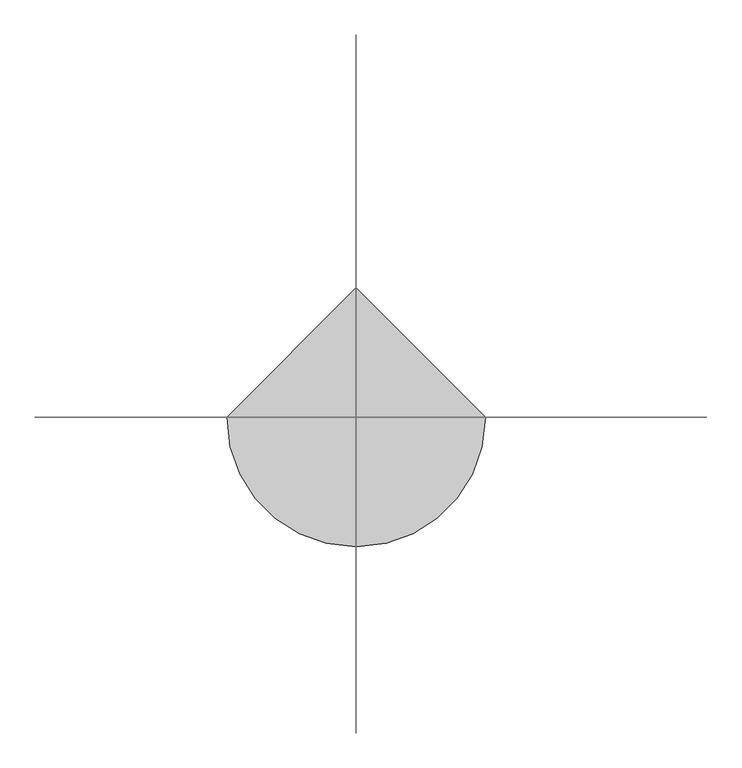
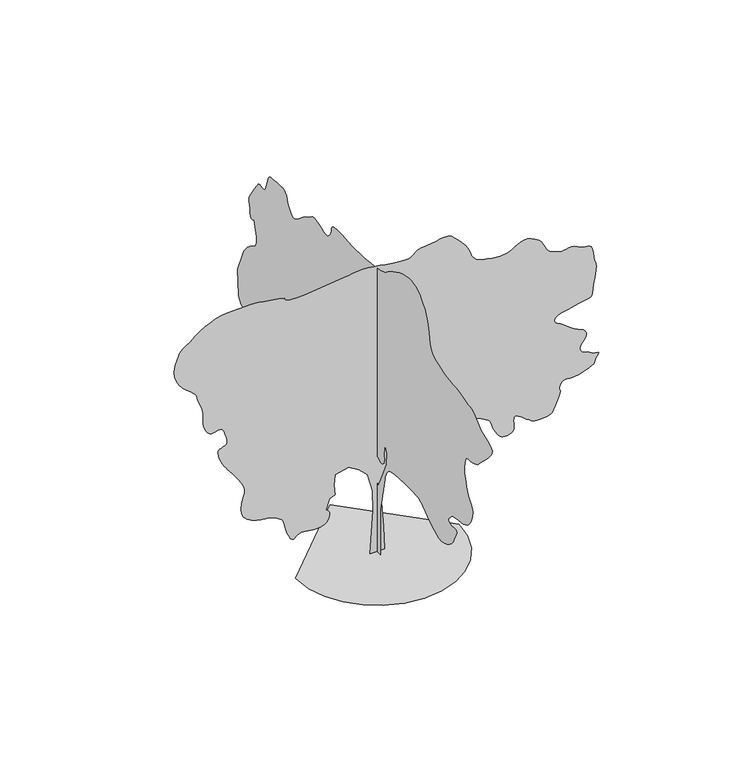
"""IFC4 building model written with IfcOpenShell, lengths in millimetres: geographic element geometry."""

from ifc_helpers import new_model, si_unit, origin, place, context, project, spatial, triangles, source, transform, mapped, element, save


def geographic_element_31fc5fb8(model_context):
    return source(origin(), model_context, "Body", "Tessellation", [
        triangles([(-6.51e-05, -105.0228319, 0.0074776), (-6.15e-05, 138.9131143, 0.0074703), (-4.84e-05, 99.8833291, 458.6078719), (-3.14e-05, 129.1556067, 1014.7807915), (-1.8e-05, 226.7299288, 1414.8361691), (-8.5e-06, 392.6053236, 1649.0138809), (-1.1e-06, 577.9979682, 1805.1340027), (2.6e-06, 753.6305981, 1844.161417), (3.5e-06, 948.7807503, 1775.8613708), (1.5e-06, 1007.3257959, 1678.2863674), (-4e-06, 890.2357046, 1551.4387321), (-8.4e-06, 929.2657351, 1385.5636826), (-1.44e-05, 1153.685903, 1073.3258371), (-1.47e-05, 1543.9838093, 868.4182137), (-8.5e-06, 2109.9142365, 790.3606236), (7.6e-06, 2451.4244957, 1161.1409712), (2.53e-05, 2802.702182, 1580.7112186), (3.2e-05, 3349.1028419, 1531.9237896), (3.84e-05, 3544.2528488, 1649.0138809), (4.53e-05, 3534.5028625, 1883.1915928), (4.5e-05, 3358.8778267, 1961.2516537), (4.95e-05, 3232.0277206, 2175.9142776), (5.43e-05, 3534.5028625, 2185.6718216), (5.98e-05, 4139.453437, 2068.584201), (6.19e-05, 4208.0283211, 2104.1717091), (6.39e-05, 4273.9283684, 2140.0142887), (6.59e-05, 4334.553447, 2176.3691917), (6.78e-05, 4387.2284294, 2213.4942513), (6.96e-05, 4429.328476, 2251.6417774), (7.12e-05, 4458.2034576, 2291.0693127), (7.26e-05, 4471.2035362, 2332.0343994), (8.79e-05, 4500.4784935, 2829.6522812), (9.79e-05, 4334.6034439, 3249.2275429), (9.86e-05, 4317.5036156, 3282.3275574), (9.94e-05, 4292.2284142, 3321.5527794), (0.0001002, 4260.1033401, 3364.7027618), (0.000101, 4222.5283081, 3409.5526405), (0.0001017, 4180.8532356, 3453.9028404), (0.0001023, 4136.4533295, 3495.527916), (0.0001027, 4090.6782166, 3532.2027122), (0.0001029, 4046.5782921, 3560.9279938), (0.0001029, 4006.7531067, 3582.8278198), (0.000103, 3971.8782005, 3601.8278229), (0.0001031, 3942.6282417, 3621.853054), (0.0001036, 3919.7031876, 3646.8529816), (0.0001043, 3903.7782875, 3680.7029503), (0.0001056, 3895.5282097, 3727.3530098), (0.0001072, 3894.4782738, 3782.2781456), (0.0001089, 3899.0532852, 3838.2282188), (0.0001108, 3908.3283005, 3895.0532387), (0.0001127, 3921.3530869, 3952.5282188), (0.0001147, 3937.2032822, 4010.528167), (0.0001167, 3954.9280724, 4068.8783844), (0.0001187, 3973.5780968, 4127.4033005), (0.0001184, 3998.5533165, 4107.2783661), (0.0001184, 4022.8532867, 4091.9534294), (0.0001185, 4045.7783409, 4086.1782005), (0.0001191, 4066.6532295, 4094.7532585), (0.0001202, 4084.8032845, 4122.4283134), (0.0001219, 4099.5532562, 4174.003363), (0.0001245, 4110.1781891, 4254.2534065), (0.000127, 4120.6784203, 4333.2285278), (0.0001287, 4132.0283089, 4385.4035408), (0.0001299, 4139.1284569, 4422.2036201), (0.0001309, 4136.8033081, 4455.0786484), (0.0001318, 4120.0034615, 4495.478508), (0.0001331, 4083.5533607, 4554.8286644), (0.0001348, 4022.3783157, 4644.5537109), (0.0001367, 3956.5782623, 4741.1289207), (0.0001382, 3906.9780922, 4815.003772), (0.0001392, 3869.5280525, 4868.5789902), (0.0001398, 3840.0781059, 4904.2041412), (0.0001401, 3814.5532104, 4924.3290756), (0.0001399, 3788.8780334, 4931.3042313), (0.0001393, 3758.9281174, 4927.5038818), (0.0001386, 3727.67799, 4918.0288788), (0.0001379, 3700.2029228, 4909.0788437), (0.0001374, 3675.45298, 4904.7291092), (0.0001372, 3652.4029335, 4909.0788437), (0.0001374, 3630.0528442, 4926.2289597), (0.000138, 3607.3527763, 4960.2792068), (0.0001393, 3583.2777924, 5015.329335), (0.0001409, 3562.2279144, 5079.6288986), (0.0001424, 3546.3027237, 5137.7544205), (0.0001437, 3531.0527824, 5188.4042358), (0.0001447, 3512.0527794, 5230.1540131), (0.0001452, 3484.8526955, 5261.6794144), (0.0001452, 3445.0278008, 5281.604361), (0.0001446, 3388.1277855, 5288.5295197), (0.0001436, 3319.3276245, 5291.5793335), (0.0001428, 3248.6275795, 5298.5544891), (0.000142, 3178.9774704, 5306.2040222), (0.0001411, 3113.2274139, 5311.3042923), (0.0001402, 3054.3025223, 5310.5793365), (0.0001392, 3005.1273262, 5300.8293503), (0.000138, 2968.5775223, 5278.7795334), (0.0001369, 2944.7272339, 5253.1543533), (0.0001361, 2929.602285, 5232.6294434), (0.0001354, 2919.9272942, 5214.0044174), (0.0001347, 2912.4774582, 5194.0044754), (0.0001338, 2904.0023941, 5169.4042328), (0.0001326, 2891.2523003, 5136.9288895), (0.000131, 2871.0023735, 5093.3792221), (0.0001292, 2844.6522377, 5045.379245), (0.0001275, 2815.5772682, 5003.1539154), (0.000126, 2783.4271957, 4968.9542587), (0.0001248, 2747.8773308, 4945.0039764), (0.0001238, 2708.5521149, 4933.504097), (0.0001233, 2665.1521477, 4936.7039017), (0.0001232, 2617.3021614, 4956.7788391), (0.0001234, 2569.6771614, 4988.2542435), (0.0001238, 2525.4769524, 5023.3038483), (0.0001243, 2482.1194244, 5060.7288895), (0.0001247, 2437.0595295, 5099.3538574), (0.0001252, 2387.7318718, 5138.0044052), (0.0001254, 2331.5768692, 5175.4294464), (0.0001255, 2266.0343582, 5210.4790512), (0.0001256, 2205.0142456, 5244.5542969), (0.0001259, 2159.0142918, 5277.6040237), (0.0001262, 2120.3541515, 5306.2290207), (0.0001262, 2081.3542065, 5327.0044968), (0.0001258, 2034.3291698, 5336.5044983), (0.0001247, 1971.6040741, 5331.3292328), (0.0001227, 1885.4940685, 5308.0544907), (0.0001205, 1797.391452, 5276.8540695), (0.0001188, 1730.2863911, 5251.9544266), (0.0001175, 1678.8813892, 5236.1042313), (0.0001168, 1637.8888332, 5232.02948), (0.0001166, 1602.0163136, 5242.4794235), (0.0001169, 1565.9737461, 5270.1544785), (0.0001177, 1524.4687214, 5317.8044769), (0.0001188, 1490.9861721, 5373.8045471), (0.0001201, 1475.2561729, 5423.9793915), (0.0001212, 1466.3511932, 5467.3296524), (0.0001221, 1453.3511147, 5502.8292297), (0.0001225, 1425.3286972, 5529.4543488), (0.0001222, 1371.366148, 5546.1794907), (0.000121, 1280.5334656, 5551.979718), (0.0001195, 1182.4759335, 5550.8792038), (0.0001183, 1108.9958982, 5547.8793869), (0.0001174, 1052.4133781, 5543.5296524), (0.0001165, 1005.0483187, 5538.3293884), (0.0001156, 959.2208107, 5532.7797272), (0.0001147, 907.2482563, 5527.4044739), (0.0001136, 841.4482029, 5522.7041794), (0.0001125, 772.3506037, 5519.7043625), (0.0001115, 711.6155754, 5518.9044113), (0.0001107, 653.2705175, 5520.154335), (0.0001099, 591.3404677, 5523.2797256), (0.000109, 519.8504273, 5528.1294296), (0.0001078, 432.8303392, 5534.5046219), (0.0001065, 324.3052774, 5542.2297318), (0.000105, 203.687658, 5552.8796631), (0.0001037, 86.9965703, 5567.6043457), (0.0001026, -21.8426915, 5585.7544006), (0.0001018, -118.9050968, 5606.6292892), (0.0001012, -200.2644113, 5629.5546341), (0.0001011, -261.9952181, 5653.8543137), (0.0001012, -300.1702499, 5678.8295334), (0.0001016, -342.4727732, 5713.0297714), (0.000102, -413.9603428, 5761.2297363), (0.0001023, -506.7854181, 5817.0798157), (0.0001024, -613.0930281, 5874.3298096), (0.0001023, -725.0330704, 5926.6045258), (0.0001019, -834.75319, 5967.6299286), (0.0001011, -934.4057556, 5991.07966), (0.0001, -1022.9033335, 5999.8047089), (9.88e-05, -1104.7484104, 6000.0046967), (9.74e-05, -1180.4459702, 5990.3047073), (9.57e-05, -1250.5110249, 5969.3298248), (9.38e-05, -1315.4560432, 5935.7295502), (9.14e-05, -1375.7936394, 5888.1545471), (8.87e-05, -1432.0336658, 5825.2049011), (8.63e-05, -1478.7161362, 5768.8048553), (8.48e-05, -1512.7687088, 5733.7546692), (8.36e-05, -1538.2837212, 5707.9295013), (8.25e-05, -1559.3638298, 5679.2045105), (8.09e-05, -1580.1012268, 5635.454274), (7.84e-05, -1604.5962433, 5564.5545319), (7.46e-05, -1636.941362, 5454.4042786), (7.05e-05, -1667.1512913, 5330.3292938), (6.7e-05, -1688.656374, 5223.97939), (6.39e-05, -1710.6739254, 5132.8541382), (6.11e-05, -1742.4214062, 5054.3292801), (5.83e-05, -1793.1164223, 4985.8788071), (5.53e-05, -1871.9714928, 4924.9540375), (5.19e-05, -1988.2065491, 4868.9789658), (4.87e-05, -2119.0091755, 4825.5040031), (4.62e-05, -2237.6917568, 4799.6038399), (4.41e-05, -2347.6668755, 4784.9788605), (4.22e-05, -2452.3543808, 4775.3288681), (4.04e-05, -2555.1521759, 4764.2789612), (3.83e-05, -2659.5022018, 4745.5539413), (3.57e-05, -2768.8022163, 4712.8539024), (3.33e-05, -2866.4523605, 4683.5786545), (3.19e-05, -2939.5522591, 4672.2287659), (3.09e-05, -2996.927536, 4668.05373), (2.99e-05, -3047.4773575, 4660.2786232), (2.85e-05, -3100.0776352, 4638.1788094), (2.61e-05, -3163.6025368, 4590.9787834), (2.24e-05, -3246.9276833, 4507.9536186), (1.83e-05, -3354.9527756, 4422.0536293), (1.48e-05, -3474.4277504, 4364.5036537), (1.18e-05, -3586.9278603, 4321.8033531), (9.3e-06, -3673.9780701, 4280.47855), (7e-06, -3717.153051, 4227.0283241), (5e-06, -3698.0280556, 4147.9782074), (2.9e-06, -3598.1780457, 4029.8281517), (1.1e-06, -3473.4528099, 3906.2781349), (-3e-07, -3385.2276718, 3815.6781418), (-1.3e-06, -3323.4776619, 3751.5279877), (-1.9e-06, -3278.1025246, 3707.3530678), (-2.2e-06, -3239.0275841, 3676.6529068), (-2.3e-06, -3196.2275803, 3652.9528999), (-2.1e-06, -3139.5775497, 3629.777861), (-1.7e-06, -3075.1774109, 3613.37799), (-9e-07, -3016.2275208, 3608.6029907), (-2e-07, -2963.4272552, 3606.7278145), (2e-07, -2917.4774437, 3599.0529922), (2e-07, -2879.0024666, 3576.8528938), (-7e-07, -2848.7272797, 3531.452758), (-2.7e-06, -2827.3524216, 3454.1278267), (-5.1e-06, -2815.7522575, 3369.9277336), (-7e-06, -2813.352404, 3305.0276253), (-8.6e-06, -2818.6523712, 3252.4026398), (-1.02e-05, -2830.0772552, 3205.052623), (-1.19e-05, -2846.1274384, 3156.0024193), (-1.39e-05, -2865.2274353, 3098.2524559), (-1.64e-05, -2885.9023361, 3024.8025787), (-1.92e-05, -2914.627327, 2946.6774055), (-2.18e-05, -2954.4525124, 2877.5772629), (-2.43e-05, -2998.5524368, 2814.6273262), (-2.67e-05, -3040.0775185, 2754.9021927), (-2.9e-05, -3072.2275909, 2695.5270378), (-3.11e-05, -3088.152491, 2633.6020386), (-3.3e-05, -3081.0526337, 2566.2020828), (-3.46e-05, -3060.4274391, 2500.277037), (-3.6e-05, -3039.102578, 2443.7194427), (-3.71e-05, -3015.2525803, 2395.18694), (-3.79e-05, -2986.9272743, 2353.3118797), (-3.85e-05, -2952.3273514, 2316.7293743), (-3.88e-05, -2909.5023491, 2284.0717747), (-3.89e-05, -2856.6273788, 2253.9743385), (-3.87e-05, -2791.7272705, 2230.5618141), (-3.8e-05, -2717.452153, 2216.0268002), (-3.71e-05, -2638.7520149, 2206.0967377), (-3.62e-05, -2560.5271385, 2196.5117123), (-3.56e-05, -2487.799601, 2182.9993103), (-3.53e-05, -2425.47201, 2161.2942398), (-3.56e-05, -2378.5043827, 2127.129174), (-3.62e-05, -2345.7043499, 2089.8041267), (-3.68e-05, -2322.8044395, 2060.3341232), (-3.73e-05, -2310.1443111, 2037.0066227), (-3.78e-05, -2308.0692924, 2018.1191128), (-3.84e-05, -2316.9168629, 2001.9616688), (-3.92e-05, -2337.0294434, 1986.8265461), (-4.01e-05, -2368.7469841, 1971.0090523), (-4.1e-05, -2411.2470062, 1962.5040482), (-4.16e-05, -2459.0394379, 1965.0915356), (-4.21e-05, -2505.4770103, 1970.754126), (-4.27e-05, -2543.876992, 1971.4641117), (-4.34e-05, -2567.6019974, 1959.2041042), (-4.44e-05, -2569.9771431, 1925.949012), (-4.59e-05, -2544.3769615, 1863.6765049), (-4.75e-05, -2509.7520401, 1792.5014889), (-4.89e-05, -2484.8695473, 1735.1513557), (-4.99e-05, -2462.7095627, 1687.5312973), (-5.08e-05, -2436.2819607, 1645.5438892), (-5.14e-05, -2398.5894939, 1605.0912712), (-5.19e-05, -2342.631863, 1562.0787804), (-5.22e-05, -2261.4142914, 1512.4087017), (-5.2e-05, -2169.1316975, 1473.3237328), (-5.1e-05, -2083.5066914, 1461.3762062), (-4.95e-05, -2002.8290577, 1471.4462311), (-4.76e-05, -1925.3965748, 1498.4137711), (-4.53e-05, -1849.4990273, 1537.1587898), (-4.28e-05, -1773.4289612, 1582.5612511), (-4.02e-05, -1695.4838642, 1629.498793), (-3.77e-05, -1622.0063725, 1676.8063705), (-3.54e-05, -1558.0838207, 1724.7964645), (-3.31e-05, -1500.136195, 1770.5689613), (-3.11e-05, -1444.578685, 1811.2214218), (-2.93e-05, -1387.8261898, 1843.8489361), (-2.77e-05, -1326.2960793, 1865.5564774), (-2.64e-05, -1256.4010723, 1873.4340488), (-2.5e-05, -1159.1384045, 1874.2890839), (-2.3e-05, -1027.910804, 1875.4840691), (-2.07e-05, -877.7382116, 1874.971455), (-1.86e-05, -723.6380974, 1870.7039829), (-1.67e-05, -580.6329818, 1860.6339581), (-1.55e-05, -463.7428782, 1842.7115055), (-1.52e-05, -387.9878002, 1814.8914013), (-1.57e-05, -343.2127716, 1776.8839828), (-1.66e-05, -308.1652379, 1730.6863667), (-1.77e-05, -281.2252217, 1677.6614056), (-1.92e-05, -260.7727092, 1619.1738419), (-2.08e-05, -245.1829449, 1556.5887085), (-2.26e-05, -232.8366963, 1491.2736546), (-2.44e-05, -222.1121874, 1424.593713), (-3.85e-05, -114.7803395, 897.6907001), (-2.01e-05, -26.9632729, 1297.7460777), (-1.3e-05, -173.3248856, 1609.9838505), (-6.5e-06, -300.1727388, 1892.9489914), (2e-07, -319.6852469, 2127.129174), (4.7e-06, -251.3852008, 2244.2167946), (-4e-07, -222.1119331, 2058.8266571), (-1.7e-06, -228.0859325, 2017.1791992), (-3e-06, -232.2679447, 1976.5565334), (-4.1e-06, -232.865183, 1937.9815624), (-5.1e-06, -228.0859325, 1902.4790783), (-5.9e-06, -216.1379336, 1871.0740185), (-6.4e-06, -195.2293988, 1844.788995), (-6.5e-06, -163.5673779, 1824.6489452), (-6.1e-06, -127.1833524, 1819.4714996), (-5.2e-06, -93.5303284, 1831.0190506), (-4.2e-06, -62.949051, 1849.7389835), (-3.3e-06, -35.7820297, 1866.0664753), (-2.9e-06, -12.3698845, 1870.4490566), (-3.1e-06, 6.9458055, 1853.3239391), (-4.3e-06, 21.8237678, 1805.1340027), (-6.1e-06, 32.3777771, 1741.0688725), (-7.7e-06, 39.3472803, 1682.1263947), (-9.3e-06, 43.330036, 1627.4512436), (-1.08e-05, 44.9230347, 1576.1888203), (-1.22e-05, 44.724037, 1527.4862698), (-1.37e-05, 43.330036, 1480.4911732), (-1.51e-05, 41.3385332, 1434.3511116), (137.391859, 0.0003253, 0.0), (-133.3141101, 0.0003334, 0.0), (-73.1573078, 0.0002372, 832.1731876), (-83.1833128, 0.0002433, 1223.1935062), (-183.4456522, 0.0001982, 1574.1087147), (-333.8377625, 0.0002049, 1724.5014244), (-534.3604428, 0.0002126, 1844.8164642), (-785.015601, 0.0002192, 1784.6589443), (-805.0681561, 0.0002168, 1584.1363003), (-785.015601, 0.0002134, 1393.6386257), (-885.278231, 0.0002156, 1343.5060753), (-955.4607931, 0.0002149, 1153.0084007), (-936.3432827, 0.0002675, 1139.8859459), (-918.5407356, 0.0002668, 1125.3558735), (-903.3707314, 0.0002661, 1108.0234285), (-892.1456898, 0.0002654, 1086.4808481), (-886.1831903, 0.0002648, 1059.3258196), (-886.7981964, 0.0002643, 1025.1533415), (-895.3032005, 0.0002639, 982.5658247), (-913.9532249, 0.0002639, 940.0632591), (-942.5982788, 0.0002642, 906.5057144), (-978.963283, 0.0002649, 881.018244), (-1020.7633478, 0.0002659, 862.7181982), (-1065.71838, 0.0002671, 850.7331739), (-1111.553373, 0.0002683, 844.1856812), (-1155.9834372, 0.0002696, 842.1981571), (-1199.4784567, 0.000271, 844.8881819), (-1243.6759769, 0.0002724, 851.4356747), (-1288.0485592, 0.0002738, 859.5631582), (-1332.0685467, 0.0002752, 866.9856703), (-1375.2135876, 0.0002766, 871.4282043), (-1416.9560978, 0.0002778, 870.610667), (-1456.7686386, 0.0002789, 862.2507122), (-1490.9986713, 0.0002796, 844.3906832), (-1518.2137253, 0.0002801, 821.2681847), (-1541.2187164, 0.0002805, 799.9006662), (-1562.8187061, 0.0002809, 787.3031067), (-1585.8238426, 0.0002817, 790.4881594), (-1613.0387512, 0.0002829, 816.475672), (-1647.2663132, 0.0002313, 872.2782251), (-1679.7413658, 0.0002334, 944.3882858), (-1702.0463997, 0.0002351, 1013.34585), (-1717.508828, 0.0002365, 1077.2133905), (-1729.4639122, 0.0002377, 1134.0684231), (-1741.2438618, 0.0002387, 1181.9784348), (-1756.1814674, 0.0002397, 1219.0134562), (-1777.6064678, 0.0002407, 1243.2460613), (-1804.2939377, 0.0002418, 1262.5659576), (-1833.963929, 0.000243, 1284.8709915), (-1868.368951, 0.0002444, 1308.2261066), (-1909.2639839, 0.000246, 1330.7035137), (-1958.3990662, 0.0002477, 1350.3761501), (-2017.5341194, 0.0002497, 1365.3136105), (-2088.4191822, 0.0002519, 1373.5860706), (-2170.7616852, 0.0002011, 1382.5010788), (-2258.5417923, 0.000204, 1401.9387005), (-2344.9193687, 0.0002071, 1433.8312305), (-2423.054425, 0.0002101, 1480.1036968), (-2486.1046463, 0.0002129, 1542.6862141), (-2527.2271362, 0.0002153, 1623.5087517), (-2539.6019623, 0.0002172, 1724.5014244), (-2528.5270569, 0.0002183, 1822.2489464), (-2508.6771057, 0.0002189, 1897.5490013), (-2487.2420769, 0.0002192, 1958.6416386), (-2471.4293793, 0.0001661, 2013.7690876), (-2468.4170631, 0.0001669, 2071.1791008), (-2485.3994568, 0.0001684, 2139.1117275), (-2529.5769928, 0.000171, 2225.8093426), (-2588.3771828, 0.0001741, 2318.6769299), (-2644.0272743, 0.000177, 2400.3194756), (-2695.8273102, 0.0001796, 2471.7869156), (-2743.0773331, 0.000182, 2534.1270058), (-2785.0523872, 0.0001306, 2588.4271797), (-2821.0522247, 0.0001324, 2635.6772026), (-2850.4021774, 0.0001339, 2676.977298), (-2878.5522034, 0.0001354, 2723.8270546), (-2908.6274025, 0.0001372, 2782.7522369), (-2936.4274498, 0.000139, 2847.4523575), (-2957.7523109, 0.0001406, 2911.6522179), (-2968.352536, 0.0001418, 2969.0024963), (-2964.0525078, 0.0001423, 3013.2024147), (-2940.6524826, 0.000142, 3037.927359), (-2905.0023331, 0.0001411, 3050.052491), (-2869.2021927, 0.0001402, 3062.5526001), (-2836.7274307, 0.0001395, 3078.1775185), (-2811.1022507, 0.000139, 3099.7773628), (-2795.8023125, 0.000139, 3130.1525436), (-2794.3773994, 0.0001396, 3172.1025993), (-2810.3022995, 0.0001409, 3228.4276497), (-2831.7271545, 8.9e-05, 3286.3526024), (-2846.6774048, 9.02e-05, 3332.2027107), (-2858.4522675, 9.1e-05, 3367.3276016), (-2870.4024101, 9.18e-05, 3393.1777679), (-2885.8523392, 9.25e-05, 3411.1278351), (-2908.17743, 9.33e-05, 3422.5777176), (-2940.6524826, 9.44e-05, 3428.9529099), (-2978.7524826, 9.55e-05, 3427.0527351), (-3016.0025345, 9.65e-05, 3417.4277412), (-3052.7023293, 9.74e-05, 3407.1277885), (-3089.2524239, 9.85e-05, 3403.1027435), (-3125.9775078, 9.97e-05, 3412.4277557), (-3163.2025612, 0.0001012, 3442.1026886), (-3201.3275597, 0.0001032, 3499.1276962), (-3229.5025841, 0.0001051, 3569.6277534), (-3241.3777313, 0.0001065, 3637.1529922), (-3243.9525742, 0.0001076, 3704.8529297), (-3244.2275574, 0.0001086, 3775.9029533), (-3249.2525414, 5.65e-05, 3853.4031647), (-3266.0276802, 5.83e-05, 3940.5780762), (-3301.5775452, 6.09e-05, 4040.5533691), (-3337.877655, 6.33e-05, 4130.928376), (-3357.5276184, 6.48e-05, 4192.7283829), (-3368.4028267, 6.58e-05, 4234.1784691), (-3378.4027977, 6.65e-05, 4263.5284218), (-3395.4276306, 6.74e-05, 4289.0033203), (-3427.3277184, 6.88e-05, 4318.8785316), (-3482.0528664, 7.1e-05, 4361.3785538), (-3552.8529053, 2.06e-05, 4417.8785934), (-3623.6529442, 2.37e-05, 4484.3786041), (-3688.3030678, 2.68e-05, 4561.0535751), (-3740.6780685, 2.96e-05, 4648.0787865), (-3774.6530296, 3.21e-05, 4745.6289368), (-3784.0780357, 3.4e-05, 4853.8540169), (-3762.7781731, 3.51e-05, 4972.9790131), (-3729.8781464, -1.77e-05, 5076.7040771), (-3704.502951, -1.74e-05, 5145.8539261), (-3680.7029503, -1.74e-05, 5191.3290573), (-3652.5279259, -1.78e-05, 5224.0043884), (-3614.0029518, -1.85e-05, 5254.7792542), (-3559.1778099, -1.95e-05, 5294.454158), (-3482.0528664, -2.09e-05, 5353.9795944), (-3391.1775993, -2.26e-05, 5424.8793365), (-3298.9027084, -2.44e-05, 5490.3794083), (-3205.0276245, -2.63e-05, 5548.6543396), (-3109.4276459, -2.84e-05, 5598.0042343), (-3011.8774956, -3.07e-05, 5636.6297836), (-2912.2274734, -3.33e-05, 5662.8293472), (-2810.3022995, -3.62e-05, 5674.8047791), (-2339.0719059, -5.01e-05, 5684.8297485), (-2273.3618179, -5.21e-05, 5682.2043274), (-2197.6542297, -5.44e-05, 5674.854776), (-2113.614156, -3.7e-06, 5663.5293045), (-2022.9116982, -6.6e-06, 5649.0546066), (-1927.2115803, -9.7e-06, 5632.2294708), (-1828.1764915, -1.3e-05, 5613.8044327), (-1727.4763882, -1.63e-05, 5594.6044418), (-1724.3188774, -1.66e-05, 5575.4544479), (-1715.1114452, -1.72e-05, 5557.4543839), (-1693.8014088, -1.8e-05, 5541.7297623), (-1654.3413174, -1.94e-05, 5529.4293503), (-1590.6763081, -2.14e-05, 5521.6792419), (-1496.7561687, -2.42e-05, 5519.6293671), (-1366.5335941, -2.81e-05, 5524.4296555), (-604.5454757, -4.94e-05, 5614.6543808), (-529.8304141, -5.15e-05, 5621.554541), (-464.7628741, 1e-07, 5631.7794983), (-403.0278342, -1.6e-06, 5642.554422), (-338.3102729, -3.4e-06, 5651.0294861), (-264.297712, -5.6e-06, 5654.4042801), (-174.6758932, -8.3e-06, 5649.9045547), (-63.1313028, -1.19e-05, 5634.7043198), (53.8502923, -1.57e-05, 5614.4793915), (156.9766284, -1.9e-05, 5596.879303), (248.3524462, -2.19e-05, 5582.1046234), (330.0827591, -2.45e-05, 5570.2797638), (404.2703093, -2.69e-05, 5561.6297104), (473.0203643, -2.9e-05, 5556.304454), (538.4379192, -3.1e-05, 5554.5045639), (593.7429737, -3.25e-05, 5562.8296371), (635.895488, -3.35e-05, 5584.3044891), (672.6080727, -3.41e-05, 5613.6794403), (711.6030762, -3.48e-05, 5645.7048111), (760.5931091, -3.58e-05, 5675.0797623), (827.2981945, -3.75e-05, 5696.5546143), (919.4332684, -4.01e-05, 5704.904686), (1019.3733164, -4.3e-05, 5711.6048584), (1106.3358862, -4.54e-05, 5726.7545151), (1183.3009558, -4.74e-05, 5742.7796997), (1253.2485031, -4.94e-05, 5752.1297104), (1319.1661366, -5.14e-05, 5747.279425), (1384.0286018, -5.37e-05, 5720.6798859), (1450.8211819, -3.2e-06, 5664.7798096), (1514.7787605, -6.1e-06, 5597.4042709), (1569.6162563, -8.6e-06, 5539.5043167), (1616.0337719, -1.07e-05, 5488.254538), (1654.7363514, -1.26e-05, 5440.8795227), (1686.421336, -1.42e-05, 5394.5544434), (1711.7939152, -1.57e-05, 5346.4544724), (1731.5539009, -1.7e-05, 5293.8291962), (1749.3263626, -1.84e-05, 5241.0045135), (1770.606459, -1.97e-05, 5194.1544662), (1798.9013889, -2.12e-05, 5153.0790665), (1837.7189323, 3.06e-05, 5117.6039063), (1890.5690495, 2.85e-05, 5087.6039932), (1960.9566135, 2.61e-05, 5062.8293427), (2052.3917301, 2.3e-05, 5043.1537994), (2147.2741653, 2e-05, 5028.9540848), (2227.0742363, 1.75e-05, 5020.3540283), (2293.8969017, 1.55e-05, 5016.8542419), (2349.8443588, 1.38e-05, 5017.9041779), (2397.0244732, 1.25e-05, 5023.0038666), (2437.5369713, 1.14e-05, 5031.5789246), (2473.4920441, 1.05e-05, 5043.1537994), (2512.0269012, 9.7e-06, 5063.479303), (2558.2519867, 8.7e-06, 5093.9791855), (2611.3522339, 7.6e-06, 5127.6038773), (2670.3771194, 6.3e-06, 5157.4043839), (2734.5272736, 4.7e-06, 5176.304393), (2802.8521729, 2.7e-06, 5177.3293304), (2874.527449, 2e-07, 5153.4540436), (2937.3023964, -2.2e-06, 5120.2293274), (2982.5275429, -3.9e-06, 5095.0541199), (3014.7523201, -5.2e-06, 5073.7292587), (3038.5773193, -6.2e-06, 5052.0788361), (3058.5525536, -7.2e-06, 5025.854274), (3079.2024559, -8.3e-06, 4990.8790833), (3105.1276176, -9.8e-06, 4942.9041046), (3132.7273865, 4.2e-05, 4892.8036743), (3157.7026062, 4.07e-05, 4852.7037964), (3183.5274834, 3.94e-05, 4820.3040298), (3213.7526733, 3.81e-05, 4793.3539307), (3251.8776718, 3.66e-05, 4769.5539299), (3301.4025558, 3.48e-05, 4746.6538742), (3365.8276932, 3.25e-05, 4722.3289055), (3431.1277771, 3.03e-05, 4707.5039383), (3484.3277275, 2.88e-05, 4709.3538254), (3530.502816, 2.76e-05, 4719.9537598), (3574.753022, 2.64e-05, 4731.4539299), (3622.1780342, 2.51e-05, 4735.9289474), (3677.8278351, 2.33e-05, 4725.4787132), (3746.8029854, 2.07e-05, 4692.2537064), (3818.1279922, 1.81e-05, 4658.4537346), (3877.8781242, 1.61e-05, 4644.1287369), (3926.7530479, 1.45e-05, 4638.053817), (3965.453302, 1.32e-05, 4629.003788), (3994.7032608, 1.2e-05, 4605.7287552), (4015.1531754, 6.41e-05, 4557.0288208), (4027.5532906, 6.24e-05, 4471.6785072), (4039.2031609, 6.08e-05, 4384.4785973), (4054.5533867, 5.95e-05, 4327.8035683), (4069.9033218, 5.84e-05, 4286.7284592), (4081.5781906, 5.75e-05, 4246.3533073), (4085.8532204, 5.65e-05, 4191.7784409), (4079.1033417, 5.55e-05, 4108.1033157), (4057.628199, 5.42e-05, 3980.3782631), (4035.5283852, 0.0001063, 3847.1779633), (4024.4781876, 0.0001052, 3752.0279572), (4017.103347, 0.0001045, 3687.578112), (4006.0531494, 0.0001042, 3646.453006), (3983.9533356, 0.0001045, 3621.2777985), (3943.4531914, 0.0001054, 3604.7279366), (3877.1531685, 0.0001072, 3589.3780014), (3783.9280449, 0.0001097, 3571.4279343), (3675.2779907, 0.0001126, 3551.3779953), (3562.7778809, 0.0001156, 3528.3279488), (3457.9778824, 0.0001183, 3501.452845), (3372.4778687, 0.0001204, 3469.8277405), (3317.8527145, 0.0001215, 3432.5776886), (3305.6525871, 0.0001212, 3388.8527412), (3318.4276794, 0.0001203, 3351.9776665), (3332.9526649, 0.0001195, 3330.9027901), (3352.2276512, 0.0001188, 3318.0777008), (3379.2027489, 0.0001178, 3305.9525688), (3416.8777748, 0.0001164, 3286.9775642), (3468.2528366, 0.0001143, 3253.627565), (3536.2527557, 0.0001115, 3198.3524506), (3611.5028137, 0.0001084, 3139.7525391), (3681.477903, 0.0001057, 3097.8024834), (3744.6281181, 0.0001033, 3067.0776146), (3799.3529755, 0.0001547, 3042.1273933), (3844.053154, 0.000153, 3017.5524399), (3877.2031654, 0.0001516, 2987.877507), (3897.2031075, 0.0001504, 2947.702343), (3897.9280632, 0.0001497, 2900.4773186), (3879.7280113, 0.0001495, 2853.6272713), (3850.6530418, 0.0001497, 2807.4771812), (3818.7529541, 0.00015, 2762.3773178), (3792.1281258, 0.0001501, 2718.6770782), (3778.8280655, 0.0001499, 2676.7270226), (3786.9281525, 0.0001491, 2636.8771294), (3809.6282204, 0.0001479, 2605.4770111), (3834.8031372, 0.0001469, 2585.8520462), (3862.4281952, 0.0001459, 2573.7522034), (3892.5031036, 0.0001448, 2564.9771576), (3925.0281532, 0.0001437, 2555.3271652), (3960.0283424, 0.0001425, 2540.6021919), (3997.4780914, 0.000141, 2516.5769142), (4036.1783455, 0.0001395, 2494.674472), (4072.603157, 0.0001383, 2485.0596519), (4103.2283226, 0.0001373, 2481.5796318), (4124.5534744, 0.0001366, 2478.1019371), (4133.1032433, 0.0001362, 2468.4845009), (4125.3284271, 0.0001895, 2446.5919418), (4097.7283676, 0.0001897, 2406.2819023), (4070.2033035, 0.0001899, 2361.9969601), (4057.9281807, 0.0001898, 2329.461882), (4050.3783508, 0.0001896, 2304.4693668), (4037.0532921, 0.0001897, 2282.8093517), (4007.4033577, 0.0001903, 2260.27439), (3950.9283165, 0.0001915, 2232.649332), (3857.1032295, 0.0001938, 2195.731818), (3751.1030136, 0.0001965, 2165.9741867), (3663.5278358, 0.000199, 2156.5616798), (3591.9278458, 0.0002011, 2158.3742146), (3533.8029053, 0.0002029, 2162.291708), (3486.7528702, 0.0002043, 2159.1942226), (3448.2778931, 0.0002051, 2139.9592049), (3415.9528313, 0.0002054, 2095.4691879), (3396.9028313, 0.0002053, 2048.9641777), (3394.8526657, 0.000205, 2022.9766651), (3402.2777939, 0.0002045, 2007.3391022), (3411.6278046, 0.000204, 1991.8766739), (3415.3778664, 0.0002035, 1966.4166), (3405.9528603, 0.0002031, 1920.7865364), (3375.8526627, 0.0002029, 1844.8164642), (3339.8028282, 0.0002027, 1759.2289558), (3313.4026955, 0.0002024, 1690.476321), (3290.3526489, 0.0002023, 1636.9838013), (3264.3024948, 0.0002025, 1597.1712605), (3228.9526176, 0.0002032, 1569.4613239), (3178.0025299, 0.0002044, 1552.2737103), (3105.1276176, 0.0002065, 1544.0311901), (3032.1274223, 0.0002086, 1540.6111954), (2980.1523972, 0.0002101, 1539.996262), (2942.0273987, 0.0002113, 1543.7687061), (2910.5772835, 0.0002124, 1553.5012516), (2878.6022003, 0.0002136, 1570.7762146), (2838.902298, 0.0002152, 1597.1712605), (2784.3021423, 0.0002174, 1634.2663799), (2725.2272598, 0.0002198, 1675.6263554), (2676.327047, 0.0002218, 1712.2539162), (2636.7271385, 0.0002234, 1741.8638821), (2605.5270081, 0.0002246, 1762.1813919), (2581.8769981, 0.0002254, 1770.9214108), (2564.9021622, 0.0002259, 1765.8039906), (2553.7019737, 0.0002259, 1744.5539795), (2547.3770691, 0.0002257, 1717.2514309), (2544.9269279, 0.0002254, 1694.3364052), (2545.2771973, 0.0002251, 1674.0488354), (2547.3770691, 0.0002247, 1654.6388283), (2550.2021873, 0.0002244, 1634.3538746), (2552.6520378, 0.0002239, 1611.4362328), (2553.7019737, 0.0002235, 1584.1363003), (2552.2770607, 0.0002231, 1554.2312943), (2547.1520828, 0.0002228, 1525.3811657), (2537.1271133, 0.0002227, 1498.6361412), (2520.9519379, 0.0002229, 1475.0461567), (2497.4295364, 0.0002233, 1455.666235), (2465.3044624, 0.000224, 1441.5461666), (2423.3594936, 0.0002251, 1433.7435905), (2380.6244568, 0.0002264, 1432.0761051), (2345.4293667, 0.0002275, 1436.3736626), (2315.4968914, 0.0002286, 1447.6861988), (2288.5467922, 0.0002297, 1467.0661205), (2262.2967957, 0.0002309, 1495.5662704), (2234.4692791, 0.0002323, 1534.2387646), (2202.7842945, 0.000234, 1584.1363003), (2173.4642818, 0.0002356, 1638.6213467), (2152.3892601, 0.0001837, 1689.7763638), (2136.7516972, 0.0001848, 1736.7214634), (2123.7442062, 0.0001858, 1778.5789375), (2110.561726, 0.0001868, 1814.4739849), (2094.3967243, 0.0001877, 1843.5290428), (2072.4441399, 0.0001886, 1864.8690193), (2041.9866966, 0.0001898, 1883.516573), (2003.1091278, 0.0001913, 1904.796524), (1957.2165802, 0.000193, 1928.2690739), (1905.7115845, 0.0001949, 1953.4966038), (1849.996526, 0.000197, 1980.0365536), (1791.4764061, 0.0001991, 2007.4566822), (1731.5539009, 0.0002013, 2035.3141388), (1390.663662, 0.0002115, 2035.3141388), (1200.1659874, 0.0002139, 1814.7364689), (1195.6959841, 0.0002136, 1784.6589443), (1190.1709579, 0.0002133, 1754.578949), (1182.5409731, 0.0002131, 1724.5014244), (1171.7559483, 0.0002129, 1694.4238998), (1156.7584625, 0.0002129, 1664.3439045), (1136.5034489, 0.0002131, 1634.2663799), (1109.9308702, 0.0002134, 1604.1888554), (1086.2834038, 0.0002138, 1578.7562508), (1071.7558748, 0.0002139, 1561.5687824), (1060.7358353, 0.0002141, 1551.0463142), (1047.610837, 0.0002144, 1545.6087101), (1026.7683592, 0.000215, 1543.6787407), (992.5982792, 0.000216, 1543.6787407), (939.4857508, 0.0002176, 1544.0311901), (873.0156801, 0.0002196, 1546.8661915), (804.2656614, 0.0002218, 1554.4362236), (735.8656214, 0.000224, 1565.3387558), (670.4455593, 0.0002262, 1578.1712574), (610.6404888, 0.0002281, 1591.5313431), (559.0754677, 0.0002299, 1604.0112499), (518.3879076, 0.0002312, 1614.2138248), (483.4279049, 0.0002324, 1624.5613037), (447.4153502, 0.0002337, 1638.0662933), (410.5253417, 0.000235, 1654.201355), (372.9353033, 0.0002364, 1672.4413754), (334.8177535, 0.0001845, 1692.2589157), (296.3502432, 0.0001859, 1713.1313335), (257.7052002, 0.0001874, 1734.5288647), (77.2350658, 0.0002405, 1353.5336609), (67.2090562, 0.0002365, 1062.7733562), (117.339849, 0.0002792, 451.1778749), (-1522.7162121, 1.1e-06, 0.0098235), (-1482.4612564, -348.9052657, 0.0098339), (-1367.8136032, -669.3205553, 0.0098435), (-1187.9534334, -952.0632534, 0.0098519), (-952.0632534, -1187.9534334, 0.0098589), (-669.3205553, -1367.8136032, 0.0098643), (-348.9052657, -1482.4612564, 0.0098677), (6.66e-05, -1522.7162121, 0.0098689), (348.9052657, -1482.4612564, 0.0098677), (669.3205553, -1367.8136032, 0.0098643), (952.0632534, -1187.9534334, 0.0098589), (1187.9534334, -952.0632534, 0.0098519), (1367.8136032, -669.3205553, 0.0098435), (1482.4612564, -348.9052657, 0.0098339), (1522.7162121, 0.0001238, 0.0098235), (-0.0001997, 1522.7162121, 0.0097782)], [[300, 1, 301], [299, 300, 301], [299, 301, 302], [298, 299, 302], [297, 298, 302], [296, 297, 302], [296, 302, 303], [295, 296, 303], [294, 295, 303], [293, 294, 303], [292, 293, 303], [1, 2, 3], [301, 1, 3], [301, 3, 4], [301, 4, 5], [327, 301, 5], [326, 327, 5], [326, 5, 6], [325, 326, 6], [324, 325, 6], [323, 324, 6], [322, 323, 6], [321, 322, 6], [320, 321, 6], [19, 20, 21], [18, 19, 21], [17, 18, 21], [17, 21, 22], [320, 6, 7], [319, 320, 7], [291, 292, 303], [291, 303, 304], [290, 291, 304], [261, 262, 263], [260, 261, 263], [260, 263, 264], [259, 260, 264], [259, 264, 265], [258, 259, 265], [10, 11, 12], [14, 15, 16], [258, 265, 266], [257, 258, 266], [205, 206, 207], [204, 205, 207], [204, 207, 208], [203, 204, 208], [203, 208, 209], [202, 203, 209], [202, 209, 210], [257, 266, 267], [10, 12, 13], [257, 267, 268], [257, 268, 269], [256, 257, 269], [256, 269, 270], [256, 270, 271], [255, 256, 271], [255, 271, 272], [255, 272, 273], [255, 273, 274], [255, 274, 275], [255, 275, 276], [255, 276, 277], [254, 255, 277], [254, 277, 278], [254, 278, 279], [254, 279, 280], [253, 254, 280], [253, 280, 281], [253, 281, 282], [289, 290, 304], [10, 13, 14], [10, 14, 16], [10, 16, 17], [10, 17, 22], [9, 10, 22], [201, 202, 210], [201, 210, 211], [201, 211, 212], [201, 212, 213], [201, 213, 214], [201, 214, 215], [201, 215, 216], [201, 216, 217], [201, 217, 218], [201, 218, 219], [200, 201, 219], [199, 200, 219], [198, 199, 219], [197, 198, 219], [196, 197, 219], [195, 196, 219], [194, 195, 219], [194, 219, 220], [193, 194, 220], [192, 193, 220], [191, 192, 220], [190, 191, 220], [189, 190, 220], [189, 220, 221], [188, 189, 221], [252, 253, 282], [252, 282, 283], [188, 221, 222], [187, 188, 222], [251, 252, 283], [187, 222, 223], [23, 24, 25], [318, 319, 7], [56, 57, 58], [56, 58, 59], [55, 56, 59], [55, 59, 60], [54, 55, 60], [54, 60, 61], [54, 61, 62], [23, 25, 26], [186, 187, 223], [23, 26, 27], [23, 27, 28], [23, 28, 29], [23, 29, 30], [23, 30, 31], [23, 31, 32], [23, 32, 33], [23, 33, 34], [23, 34, 35], [23, 35, 36], [23, 36, 37], [23, 37, 38], [23, 38, 39], [23, 39, 40], [23, 40, 41], [23, 41, 42], [23, 42, 43], [23, 43, 44], [22, 23, 44], [22, 44, 45], [9, 22, 45], [9, 45, 46], [9, 46, 47], [9, 47, 48], [8, 9, 48], [8, 48, 49], [8, 49, 50], [8, 50, 51], [8, 51, 52], [8, 52, 53], [8, 53, 54], [250, 251, 283], [250, 283, 284], [288, 289, 304], [288, 304, 305], [186, 223, 224], [287, 288, 305], [313, 314, 315], [312, 313, 315], [311, 312, 315], [310, 311, 315], [310, 315, 316], [309, 310, 316], [308, 309, 316], [308, 316, 317], [307, 308, 317], [306, 307, 317], [306, 317, 318], [305, 306, 318], [305, 318, 7], [305, 7, 8], [305, 8, 54], [305, 54, 62], [305, 62, 63], [305, 63, 64], [305, 64, 65], [305, 65, 66], [305, 66, 67], [305, 67, 68], [305, 68, 69], [305, 69, 70], [305, 70, 71], [305, 71, 72], [305, 72, 73], [305, 73, 74], [305, 74, 75], [305, 75, 76], [305, 76, 77], [305, 77, 78], [305, 78, 79], [305, 79, 80], [305, 80, 81], [305, 81, 82], [305, 82, 83], [305, 83, 84], [305, 84, 85], [305, 85, 86], [305, 86, 87], [305, 87, 88], [305, 88, 89], [305, 89, 90], [305, 90, 91], [305, 91, 92], [134, 135, 136], [134, 136, 137], [133, 134, 137], [133, 137, 138], [132, 133, 138], [132, 138, 139], [132, 139, 140], [131, 132, 140], [131, 140, 141], [131, 141, 142], [131, 142, 143], [130, 131, 143], [130, 143, 144], [130, 144, 145], [286, 287, 305], [186, 224, 225], [185, 186, 225], [249, 250, 284], [130, 145, 146], [285, 286, 305], [249, 284, 285], [249, 285, 305], [248, 249, 305], [234, 235, 236], [233, 234, 236], [233, 236, 237], [232, 233, 237], [232, 237, 238], [232, 238, 239], [232, 239, 240], [232, 240, 241], [232, 241, 242], [232, 242, 243], [232, 243, 244], [232, 244, 245], [231, 232, 245], [231, 245, 246], [231, 246, 247], [230, 231, 247], [230, 247, 248], [230, 248, 305], [229, 230, 305], [228, 229, 305], [227, 228, 305], [226, 227, 305], [225, 226, 305], [185, 225, 305], [184, 185, 305], [183, 184, 305], [182, 183, 305], [181, 182, 305], [180, 181, 305], [179, 180, 305], [178, 179, 305], [177, 178, 305], [176, 177, 305], [175, 176, 305], [174, 175, 305], [173, 174, 305], [172, 173, 305], [171, 172, 305], [170, 171, 305], [169, 170, 305], [168, 169, 305], [167, 168, 305], [166, 167, 305], [165, 166, 305], [164, 165, 305], [163, 164, 305], [162, 163, 305], [161, 162, 305], [160, 161, 305], [159, 160, 305], [158, 159, 305], [157, 158, 305], [156, 157, 305], [155, 156, 305], [154, 155, 305], [153, 154, 305], [152, 153, 305], [151, 152, 305], [150, 151, 305], [149, 150, 305], [148, 149, 305], [147, 148, 305], [146, 147, 305], [130, 146, 305], [129, 130, 305], [128, 129, 305], [127, 128, 305], [126, 127, 305], [125, 126, 305], [124, 125, 305], [123, 124, 305], [122, 123, 305], [121, 122, 305], [120, 121, 305], [119, 120, 305], [118, 119, 305], [117, 118, 305], [116, 117, 305], [115, 116, 305], [114, 115, 305], [113, 114, 305], [112, 113, 305], [111, 112, 305], [110, 111, 305], [109, 110, 305], [108, 109, 305], [107, 108, 305], [94, 95, 96], [94, 96, 97], [93, 94, 97], [93, 97, 98], [93, 98, 99], [93, 99, 100], [93, 100, 101], [92, 93, 101], [92, 101, 102], [92, 102, 103], [92, 103, 104], [92, 104, 105], [106, 107, 305], [106, 305, 92], [106, 92, 105], [328, 329, 330], [731, 328, 330], [730, 731, 330], [730, 330, 331], [729, 730, 331], [729, 331, 332], [728, 729, 332], [472, 473, 474], [336, 337, 338], [728, 332, 333], [618, 619, 620], [617, 618, 620], [617, 620, 621], [616, 617, 621], [615, 616, 621], [615, 621, 622], [614, 615, 622], [614, 622, 623], [472, 474, 475], [613, 614, 623], [612, 613, 623], [612, 623, 624], [612, 624, 625], [612, 625, 626], [612, 626, 627], [612, 627, 628], [611, 612, 628], [610, 611, 628], [610, 628, 629], [609, 610, 629], [609, 629, 630], [608, 609, 630], [608, 630, 631], [608, 631, 632], [607, 608, 632], [607, 632, 633], [606, 607, 633], [363, 364, 365], [363, 365, 366], [362, 363, 366], [362, 366, 367], [361, 362, 367], [361, 367, 368], [360, 361, 368], [360, 368, 369], [360, 369, 370], [359, 360, 370], [359, 370, 371], [358, 359, 371], [358, 371, 372], [407, 408, 409], [407, 409, 410], [406, 407, 410], [406, 410, 411], [405, 406, 411], [405, 411, 412], [404, 405, 412], [403, 404, 412], [403, 412, 413], [402, 403, 413], [401, 402, 413], [400, 401, 413], [399, 400, 413], [357, 358, 372], [606, 633, 634], [399, 413, 414], [398, 399, 414], [728, 333, 334], [357, 372, 373], [356, 357, 373], [562, 563, 564], [561, 562, 564], [561, 564, 565], [560, 561, 565], [559, 560, 565], [559, 565, 566], [397, 398, 414], [355, 356, 373], [354, 355, 373], [353, 354, 373], [352, 353, 373], [351, 352, 373], [350, 351, 373], [349, 350, 373], [348, 349, 373], [347, 348, 373], [346, 347, 373], [345, 346, 373], [344, 345, 373], [343, 344, 373], [342, 343, 373], [341, 342, 373], [340, 341, 373], [339, 340, 373], [338, 339, 373], [336, 338, 373], [336, 373, 374], [335, 336, 374], [335, 374, 375], [335, 375, 376], [335, 376, 377], [335, 377, 378], [335, 378, 379], [335, 379, 380], [576, 577, 578], [575, 576, 578], [575, 578, 579], [574, 575, 579], [574, 579, 580], [573, 574, 580], [573, 580, 581], [572, 573, 581], [572, 581, 582], [571, 572, 582], [570, 571, 582], [569, 570, 582], [568, 569, 582], [567, 568, 582], [566, 567, 582], [559, 566, 582], [558, 559, 582], [557, 558, 582], [556, 557, 582], [555, 556, 582], [554, 555, 582], [553, 554, 582], [552, 553, 582], [552, 582, 583], [551, 552, 583], [551, 583, 584], [550, 551, 584], [549, 550, 584], [549, 584, 585], [548, 549, 585], [547, 548, 585], [546, 547, 585], [599, 600, 601], [598, 599, 601], [598, 601, 602], [597, 598, 602], [597, 602, 603], [596, 597, 603], [596, 603, 604], [595, 596, 604], [595, 604, 605], [594, 595, 605], [594, 605, 606], [594, 606, 634], [593, 594, 634], [592, 593, 634], [591, 592, 634], [590, 591, 634], [589, 590, 634], [588, 589, 634], [588, 634, 635], [587, 588, 635], [587, 635, 636], [545, 546, 585], [335, 380, 381], [427, 428, 429], [426, 427, 429], [426, 429, 430], [425, 426, 430], [425, 430, 431], [424, 425, 431], [424, 431, 432], [424, 432, 433], [423, 424, 433], [423, 433, 434], [422, 423, 434], [422, 434, 435], [422, 435, 436], [421, 422, 436], [335, 381, 382], [335, 382, 383], [335, 383, 384], [335, 384, 385], [335, 385, 386], [335, 386, 387], [335, 387, 388], [335, 388, 389], [335, 389, 390], [335, 390, 391], [335, 391, 392], [335, 392, 393], [335, 393, 394], [335, 394, 395], [335, 395, 396], [335, 396, 397], [335, 397, 414], [335, 414, 415], [334, 335, 415], [334, 415, 416], [334, 416, 417], [334, 417, 418], [334, 418, 419], [334, 419, 420], [728, 334, 420], [638, 639, 640], [638, 640, 641], [638, 641, 642], [637, 638, 642], [545, 585, 586], [544, 545, 586], [728, 420, 421], [728, 421, 436], [728, 436, 437], [728, 437, 438], [728, 438, 439], [728, 439, 440], [728, 440, 441], [728, 441, 442], [709, 710, 711], [709, 711, 712], [708, 709, 712], [708, 712, 713], [707, 708, 713], [707, 713, 714], [706, 707, 714], [705, 706, 714], [704, 705, 714], [703, 704, 714], [702, 703, 714], [702, 714, 715], [701, 702, 715], [700, 701, 715], [700, 715, 716], [700, 716, 717], [700, 717, 718], [700, 718, 719], [700, 719, 720], [700, 720, 721], [700, 721, 722], [700, 722, 723], [700, 723, 724], [699, 700, 724], [699, 724, 725], [699, 725, 726], [699, 726, 727], [699, 727, 728], [699, 728, 442], [698, 699, 442], [543, 544, 586], [542, 543, 586], [541, 542, 586], [540, 541, 586], [539, 540, 586], [538, 539, 586], [537, 538, 586], [536, 537, 586], [535, 536, 586], [534, 535, 586], [533, 534, 586], [532, 533, 586], [531, 532, 586], [530, 531, 586], [529, 530, 586], [528, 529, 586], [527, 528, 586], [526, 527, 586], [525, 526, 586], [524, 525, 586], [523, 524, 586], [522, 523, 586], [521, 522, 586], [521, 586, 587], [521, 587, 636], [520, 521, 636], [520, 636, 637], [520, 637, 642], [520, 642, 643], [520, 643, 644], [520, 644, 645], [520, 645, 646], [520, 646, 647], [520, 647, 648], [520, 648, 649], [520, 649, 650], [520, 650, 651], [520, 651, 652], [520, 652, 653], [520, 653, 654], [520, 654, 655], [520, 655, 656], [520, 656, 657], [520, 657, 658], [520, 658, 659], [520, 659, 660], [520, 660, 661], [520, 661, 662], [520, 662, 663], [519, 520, 663], [519, 663, 664], [518, 519, 664], [698, 442, 443], [518, 664, 665], [506, 507, 508], [506, 508, 509], [505, 506, 509], [505, 509, 510], [504, 505, 510], [504, 510, 511], [503, 504, 511], [503, 511, 512], [503, 512, 513], [503, 513, 514], [503, 514, 515], [503, 515, 516], [503, 516, 517], [502, 503, 517], [502, 517, 518], [502, 518, 665], [501, 502, 665], [500, 501, 665], [499, 500, 665], [498, 499, 665], [497, 498, 665], [496, 497, 665], [495, 496, 665], [494, 495, 665], [493, 494, 665], [492, 493, 665], [491, 492, 665], [490, 491, 665], [489, 490, 665], [488, 489, 665], [487, 488, 665], [486, 487, 665], [485, 486, 665], [484, 485, 665], [483, 484, 665], [482, 483, 665], [481, 482, 665], [480, 481, 665], [479, 480, 665], [479, 665, 666], [478, 479, 666], [478, 666, 667], [478, 667, 668], [478, 668, 669], [478, 669, 670], [478, 670, 671], [478, 671, 672], [478, 672, 673], [478, 673, 674], [478, 674, 675], [477, 478, 675], [476, 477, 675], [471, 472, 475], [471, 475, 476], [449, 450, 451], [448, 449, 451], [447, 448, 451], [446, 447, 451], [446, 451, 452], [445, 446, 452], [444, 445, 452], [444, 452, 453], [444, 453, 454], [444, 454, 455], [444, 455, 456], [444, 456, 457], [444, 457, 458], [443, 444, 458], [698, 443, 458], [698, 458, 459], [698, 459, 460], [698, 460, 461], [698, 461, 462], [698, 462, 463], [698, 463, 464], [698, 464, 465], [698, 465, 466], [698, 466, 467], [698, 467, 468], [698, 468, 469], [698, 469, 470], [698, 470, 471], [698, 471, 476], [697, 698, 476], [696, 697, 476], [695, 696, 476], [694, 695, 476], [693, 694, 476], [692, 693, 476], [679, 680, 681], [678, 679, 681], [678, 681, 682], [677, 678, 682], [677, 682, 683], [676, 677, 683], [675, 676, 683], [675, 683, 684], [675, 684, 685], [675, 685, 686], [675, 686, 687], [675, 687, 688], [675, 688, 689], [675, 689, 690], [476, 675, 690], [476, 690, 691], [692, 476, 691], [746, 747, 732], [745, 746, 732], [745, 732, 733], [744, 745, 733], [744, 733, 734], [744, 734, 735], [743, 744, 735], [742, 743, 735], [742, 735, 736], [742, 736, 737], [742, 737, 738], [742, 738, 739], [742, 739, 740], [742, 740, 741]], closed=False),
    ])


if __name__ == "__main__":
    model = new_model("IFC4")
    model_context = context("Model", 3, world=origin())
    ifc_project = project(units=[si_unit("LENGTHUNIT", "METRE", prefix="MILLI")], contexts=[model_context])
    site = spatial("IfcSite", under=ifc_project)
    building = spatial("IfcBuilding", under=site)
    placement = place(None, origin())
    geographic_element_shape = geographic_element_31fc5fb8(model_context)
    element("IfcGeographicElement", 1, at=placement, inside=building, context=model_context, shape_type="MappedRepresentation", body=[
        mapped(geographic_element_shape, transform((0.0, 0.0, 0.0), x_axis=(1.0, 0.0, 0.0), y_axis=(0.0, 1.0, 0.0), z_axis=(0.0, 0.0, 1.0))),
    ])
    save(model, "model.ifc")
